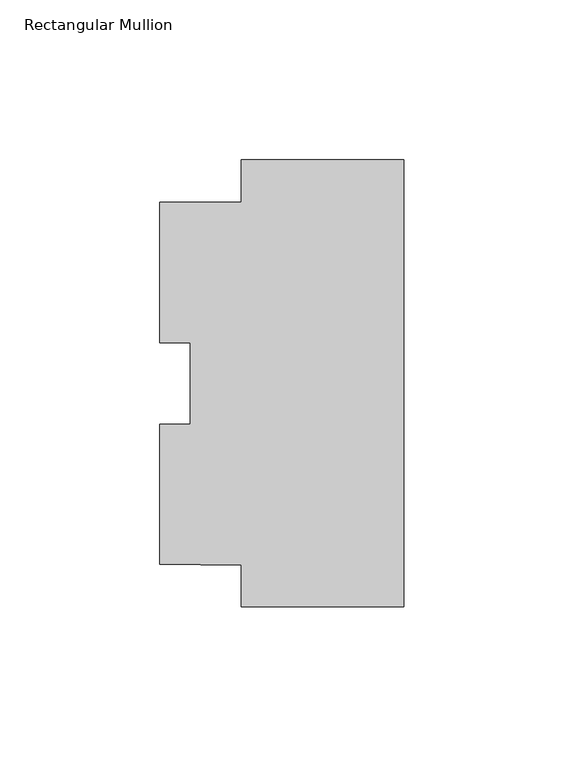
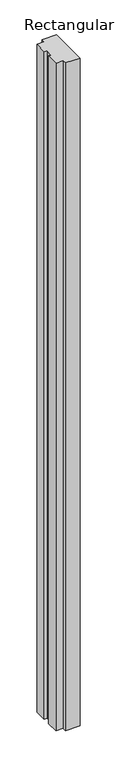
"""IFC4 building model written with IfcOpenShell, lengths in millimetres: member geometry, Rectangular Mullion."""

from ifc_helpers import new_model, si_unit, frame, origin, place, context, project, spatial, polyline, outline, extrude, source, transform, mapped, element, save


def rectangular_mullion_fc5c30ef(model_context):
    return source(origin(), model_context, "Body", "SweptSolid", [
        extrude(outline(polyline([(-50.8, 69.85), (0.0, 69.85), (0.0, -69.8511323), (-50.7746, -69.8511323), (-50.7746, -56.8763708), (-76.2, -56.5415324), (-76.2, -12.7449815), (-66.675, -12.7449815), (-66.675, 12.7427169), (-76.2, 12.7427169), (-76.2, 56.5392676), (-50.8, 56.5392676), (-50.8, 69.85)])), frame((0.0, 0.0, -2438.4), z_axis=(0.0, 0.0, 1.0), x_axis=(1.0, 0.0, 0.0)), (0.0, 0.0, 1.0), 2438.4),
    ])


if __name__ == "__main__":
    model = new_model("IFC4")
    model_context = context("Model", 3, world=origin())
    ifc_project = project(units=[si_unit("LENGTHUNIT", "METRE", prefix="MILLI")], contexts=[model_context])
    site = spatial("IfcSite", under=ifc_project)
    building = spatial("IfcBuilding", under=site)
    placement = place(None, origin())
    rectangular_mullion_shape = rectangular_mullion_fc5c30ef(model_context)
    element("IfcMember", 1, ObjectType="Rectangular Mullion", at=placement, inside=building, context=model_context, shape_type="MappedRepresentation", body=[
        mapped(rectangular_mullion_shape, transform((0.0, 0.0, 0.0), x_axis=(1.0, 0.0, 0.0), y_axis=(0.0, 1.0, 0.0), z_axis=(0.0, 0.0, 1.0))),
    ])
    save(model, "model.ifc")
